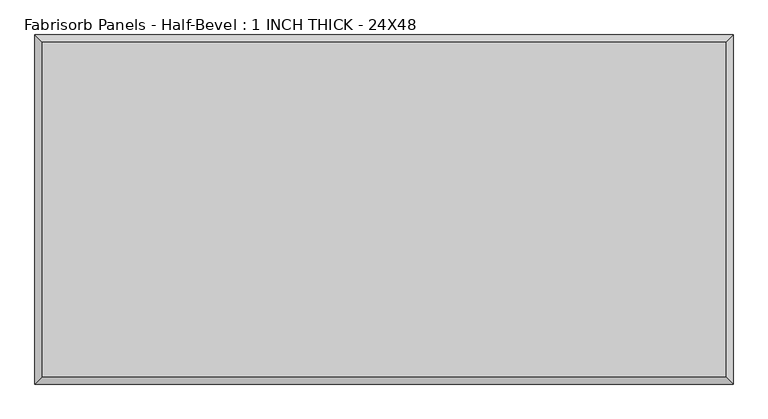
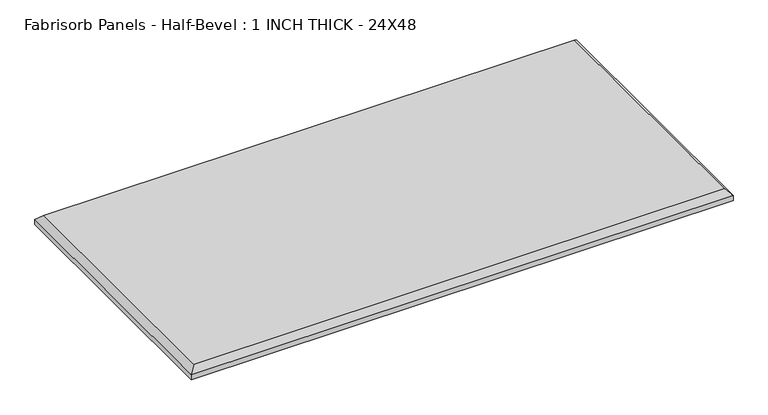
"""IFC4 building model written with IfcOpenShell, lengths in millimetres: proxy geometry, Fabrisorb Panels - Half-Bevel : 1 INCH THICK - 24X48."""

import ifcopenshell
import ifcopenshell.guid

model = None  # the IFC model being written
_history = None  # IfcOwnerHistory: only IFC2X3 demands one
_inside = {}  # id of a spatial element -> (the spatial element, [elements in it])
_under = {}  # id of a project, library or spatial element -> (it, [spatial elements below it])
_declared = {}  # id of a project -> (the project, [libraries it declares])
_typed = {}  # id of a type object -> (the type object, [elements of that type])
_made_of = {}  # id of a material, layer set ... -> (it, [elements and type objects made of it])


def new_model(schema):
    """Start an empty IFC model of exactly this schema.

    Asked for "IFC4X3", IfcOpenShell would pick the latest addendum, in which some entities
    have other attributes; the version numbers below select the first issue.
    IFC2X3 requires an IfcOwnerHistory on every rooted entity: one is made here for all.
    """
    global model, _history
    if schema == "IFC4X3":
        model = ifcopenshell.file(schema_version=(4, 3, 0, 0))
    else:
        model = ifcopenshell.file(schema=schema)
    _inside.clear()
    _under.clear()
    _declared.clear()
    _typed.clear()
    _made_of.clear()
    _history = None
    if model.schema == "IFC2X3":
        org = make("IfcOrganization", Name="unknown")
        user = make(
            "IfcPersonAndOrganization",
            ThePerson=make("IfcPerson", FamilyName="unknown"),
            TheOrganization=org,
        )
        app = make(
            "IfcApplication",
            ApplicationDeveloper=org,
            Version="unknown",
            ApplicationFullName="unknown",
            ApplicationIdentifier="unknown",
        )
        _history = make(
            "IfcOwnerHistory",
            OwningUser=user,
            OwningApplication=app,
            ChangeAction="ADDED",
            CreationDate=0,
        )
    return model


def make(cls, **values):
    """One entity of the class cls with the attributes given. An attribute that is None is left unset."""
    return model.create_entity(
        cls, **{name: value for name, value in values.items() if value is not None}
    )


def rooted(cls, **values):
    """An entity with a GlobalId (a new one), such as an element, a storey or a relation."""
    return make(cls, GlobalId=ifcopenshell.guid.new(), OwnerHistory=_history, **values)


def si_unit(unit_type, name, prefix=None):
    """IfcSIUnit, for example si_unit("LENGTHUNIT", "METRE", prefix="MILLI")."""
    return make("IfcSIUnit", UnitType=unit_type, Prefix=prefix, Name=name)


def assignment(units):
    """IfcUnitAssignment: the units of a project."""
    return None if units is None else make("IfcUnitAssignment", Units=units)


def point(xyz):
    """IfcCartesianPoint."""
    return None if xyz is None else make("IfcCartesianPoint", Coordinates=xyz)


def direction(xyz):
    """IfcDirection."""
    return None if xyz is None else make("IfcDirection", DirectionRatios=xyz)


def frame(location, z_axis=None, x_axis=None):
    """IfcAxis2Placement3D, a coordinate frame: its origin and axes. An axis left out is left unset."""
    return make(
        "IfcAxis2Placement3D",
        Location=point(location),
        Axis=direction(z_axis),
        RefDirection=direction(x_axis),
    )


def origin():
    """The frame at (0, 0, 0) with its axes left unset."""
    return frame((0.0, 0.0, 0.0))


def place(relative_to, where):
    """IfcLocalPlacement: puts the frame where relative to a parent placement (None: the world)."""
    return make(
        "IfcLocalPlacement", PlacementRelTo=relative_to, RelativePlacement=where
    )


def context(
    kind, dimensions, precision=None, world=None, true_north=None, identifier=None
):
    """IfcGeometricRepresentationContext, for example the 3D "Model" context."""
    return make(
        "IfcGeometricRepresentationContext",
        ContextIdentifier=identifier,
        ContextType=kind,
        CoordinateSpaceDimension=dimensions,
        Precision=precision,
        WorldCoordinateSystem=world,
        TrueNorth=true_north,
    )


def project(units=None, contexts=None):
    """IfcProject with its units and contexts."""
    return rooted(
        "IfcProject",
        Name="project",
        RepresentationContexts=contexts,
        UnitsInContext=assignment(units),
    )


def spatial(cls, under=None, at=None, **own):
    """A site, building, storey or space (cls), placed at a placement, below another one or the project."""
    s = rooted(cls, ObjectPlacement=at, **own)
    if under is not None:
        _under.setdefault(under.id(), (under, []))[1].append(s)
    return s


def faces_of(points, faces, orient=None, outer=None):
    """IfcFace entities. A face is a list of loops; a loop is a list of indices into points, from 0.

    orient and outer hold one flag for each loop. By default every Orientation is true, the
    first loop of a face is its IfcFaceOuterBound and the others are IfcFaceBound.
    """
    made = []
    for i, loops in enumerate(faces):
        bounds = []
        for j, loop in enumerate(loops):
            is_outer = j == 0 if outer is None else outer[i][j]
            bounds.append(
                make(
                    "IfcFaceOuterBound" if is_outer else "IfcFaceBound",
                    Bound=make("IfcPolyLoop", Polygon=[points[k] for k in loop]),
                    Orientation=True if orient is None else orient[i][j],
                )
            )
        made.append(make("IfcFace", Bounds=bounds))
    return made


def faceted_brep(points, faces, orient=None, outer=None, voids=None):
    """IfcFacetedBrep: a solid bounded by flat faces; with voids (closed shells), ...WithVoids."""
    shared = [point(p) for p in points]
    hull = make("IfcClosedShell", CfsFaces=faces_of(shared, faces, orient, outer))
    if voids is None:
        return make("IfcFacetedBrep", Outer=hull)
    return make(
        "IfcFacetedBrepWithVoids",
        Outer=hull,
        Voids=[
            make(cls, CfsFaces=faces_of(shared, fs, o, b)) for cls, fs, o, b in voids
        ],
    )


def shape(context_of_items, identifier, shape_type, items):
    """IfcShapeRepresentation: the items that make up one representation, for example the "Body"."""
    return make(
        "IfcShapeRepresentation",
        ContextOfItems=context_of_items,
        RepresentationIdentifier=identifier,
        RepresentationType=shape_type,
        Items=items,
    )


def source(mapping_origin, context_of_items, identifier, shape_type, items):
    """IfcRepresentationMap: a shape defined once, which mapped items show again and again."""
    return make(
        "IfcRepresentationMap",
        MappingOrigin=mapping_origin,
        MappedRepresentation=shape(context_of_items, identifier, shape_type, items),
    )


def transform(
    local_origin,
    x_axis=None,
    y_axis=None,
    z_axis=None,
    scale=None,
    scale2=None,
    scale3=None,
    uniform=True,
):
    """IfcCartesianTransformationOperator3D, or its non-uniform kind. x_axis, y_axis, z_axis: its Axis1, 2, 3."""
    if uniform:
        return make(
            "IfcCartesianTransformationOperator3D",
            Axis1=direction(x_axis),
            Axis2=direction(y_axis),
            LocalOrigin=point(local_origin),
            Scale=scale,
            Axis3=direction(z_axis),
        )
    return make(
        "IfcCartesianTransformationOperator3DnonUniform",
        Axis1=direction(x_axis),
        Axis2=direction(y_axis),
        LocalOrigin=point(local_origin),
        Scale=scale,
        Axis3=direction(z_axis),
        Scale2=scale2,
        Scale3=scale3,
    )


def mapped(mapping_source, mapping_target):
    """IfcMappedItem: shows the shape of a source again, moved by a transform."""
    return make(
        "IfcMappedItem", MappingSource=mapping_source, MappingTarget=mapping_target
    )


def made_of(thing, what):
    """Note that an element or type object is made of a material, layer set ...; save() writes the relation."""
    if what is not None:
        _made_of.setdefault(what.id(), (what, []))[1].append(thing)
    return thing


def element(
    cls,
    number,
    at=None,
    inside=None,
    cuts=None,
    type_object=None,
    material=None,
    context=None,
    identifier="Body",
    shape_type=None,
    held_by="IfcProductDefinitionShape",
    body=None,
    shapes=None,
    **own,
):
    """One element of the class cls, such as IfcWall. Its Tag is "e" and its number.

    at: its placement. inside: the storey or other place that contains it. cuts: it is an
    opening in that element (IfcRelVoidsElement). A single representation is given by context,
    identifier, shape_type and body (its items); several are given by shapes. held_by: the class
    of the entity that holds the representations. save() writes the other relations.
    """
    e = rooted(cls, Tag="e%d" % number, ObjectPlacement=at, **own)
    if body is not None:
        shapes = [shape(context, identifier, shape_type, body)]
    if shapes is not None:
        e.Representation = make(held_by, Representations=shapes)
    if inside is not None:
        _inside.setdefault(inside.id(), (inside, []))[1].append(e)
    if cuts is not None:
        rooted(
            "IfcRelVoidsElement", RelatingBuildingElement=cuts, RelatedOpeningElement=e
        )
    if type_object is not None:
        _typed.setdefault(type_object.id(), (type_object, []))[1].append(e)
    return made_of(e, material)


def aggregate(whole, parts):
    """IfcRelAggregates: a whole, such as a stair, and the parts it consists of."""
    return rooted("IfcRelAggregates", RelatingObject=whole, RelatedObjects=parts)


def save(model, path):
    """Write the relations noted so far, then the file.

    IfcRelAggregates (storeys below a building ...), IfcRelContainedInSpatialStructure (elements
    in a storey), IfcRelDefinesByType, IfcRelAssociatesMaterial and IfcRelDeclares: one each for
    every whole, place, type object, material and project.
    """
    for whole, parts in _under.values():
        aggregate(whole, parts)
    for where, things in _inside.values():
        rooted(
            "IfcRelContainedInSpatialStructure",
            RelatedElements=things,
            RelatingStructure=where,
        )
    for kind, things in _typed.values():
        rooted("IfcRelDefinesByType", RelatedObjects=things, RelatingType=kind)
    for what, things in _made_of.values():
        rooted("IfcRelAssociatesMaterial", RelatedObjects=things, RelatingMaterial=what)
    for by, libraries in _declared.values():
        rooted("IfcRelDeclares", RelatingContext=by, RelatedDefinitions=libraries)
    model.write(path)


def fabrisorb_panels_half_bevel_1_inch_thick_24x48_275d8f02(model_context):
    return source(origin(), model_context, "Body", "Brep", [
        faceted_brep([(596.9, 292.1, 25.4), (-596.9, 292.1, 25.4), (-596.9, -292.1, 25.4), (596.9, -292.1, 25.4), (-609.6, 304.8, 0.0), (609.6, 304.8, 0.0), (609.6, -304.8, 0.0), (-609.6, -304.8, 0.0), (-609.6, -304.8, 12.7), (-609.6, 304.8, 12.7), (609.6, -304.8, 12.7), (609.6, 304.8, 12.7)], [[[0, 1, 2, 3]], [[4, 5, 6, 7]], [[4, 7, 8, 9]], [[7, 6, 10, 8]], [[6, 5, 11, 10]], [[5, 4, 9, 11]], [[9, 1, 0, 11]], [[1, 9, 8, 2]], [[2, 8, 10, 3]], [[11, 0, 3, 10]]]),
    ])


if __name__ == "__main__":
    model = new_model("IFC4")
    model_context = context("Model", 3, world=origin())
    ifc_project = project(units=[si_unit("LENGTHUNIT", "METRE", prefix="MILLI")], contexts=[model_context])
    site = spatial("IfcSite", under=ifc_project)
    building = spatial("IfcBuilding", under=site)
    placement = place(None, origin())
    fabrisorb_panels_half_bevel_1_inch_thick_24x48_shape = fabrisorb_panels_half_bevel_1_inch_thick_24x48_275d8f02(model_context)
    element("IfcBuildingElementProxy", 1, Name="Fabrisorb Panels - Half-Bevel : 1 INCH THICK - 24X48", ObjectType="Fabrisorb Panels - Half-Bevel : 1 INCH THICK - 24X48", at=placement, inside=building, context=model_context, shape_type="MappedRepresentation", body=[
        mapped(fabrisorb_panels_half_bevel_1_inch_thick_24x48_shape, transform((0.0, 0.0, 0.0), x_axis=(1.0, 0.0, 0.0), y_axis=(0.0, 1.0, 0.0), z_axis=(0.0, 0.0, 1.0))),
    ])
    save(model, "model.ifc")
